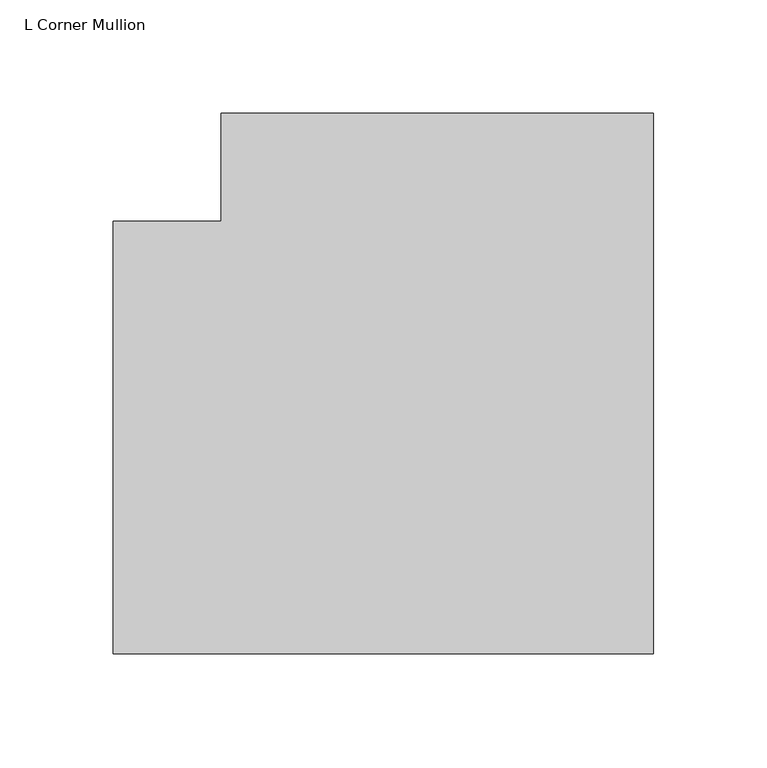
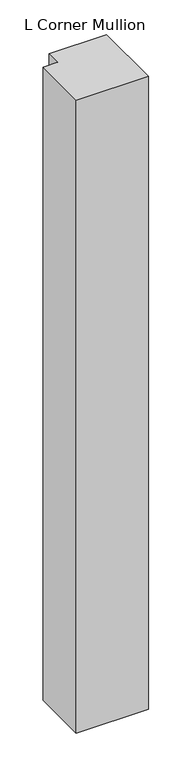
"""IFC4 building model written with IfcOpenShell, lengths in millimetres: member geometry, L Corner Mullion."""

from ifc_helpers import new_model, si_unit, frame, origin, place, context, project, spatial, polyline, outline, extrude, source, transform, mapped, element, save


def l_corner_mullion_0436e4eb(model_context):
    return source(origin(), model_context, "Body", "SweptSolid", [
        extrude(outline(polyline([(152.4, 85.725), (152.4, -152.4), (-85.725, -152.4), (-85.725, 38.1), (-38.1, 38.1), (-38.1, 85.725), (152.4, 85.725)])), frame((0.0, 0.0, -2212.5077323), z_axis=(0.0, 0.0, 1.0), x_axis=(1.0, 0.0, 0.0)), (0.0, 0.0, 1.0), 2212.5077323),
    ])


if __name__ == "__main__":
    model = new_model("IFC4")
    model_context = context("Model", 3, world=origin())
    ifc_project = project(units=[si_unit("LENGTHUNIT", "METRE", prefix="MILLI")], contexts=[model_context])
    site = spatial("IfcSite", under=ifc_project)
    building = spatial("IfcBuilding", under=site)
    placement = place(None, origin())
    l_corner_mullion_shape = l_corner_mullion_0436e4eb(model_context)
    element("IfcMember", 1, ObjectType="L Corner Mullion", at=placement, inside=building, context=model_context, shape_type="MappedRepresentation", body=[
        mapped(l_corner_mullion_shape, transform((0.0, 0.0, 0.0), x_axis=(1.0, 0.0, 0.0), y_axis=(0.0, 1.0, 0.0), z_axis=(0.0, 0.0, 1.0))),
    ])
    save(model, "model.ifc")
